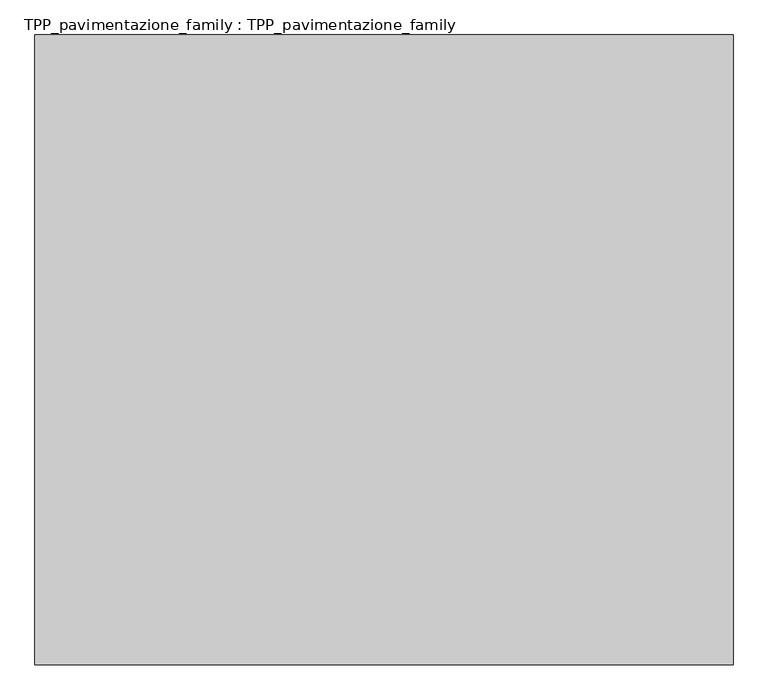
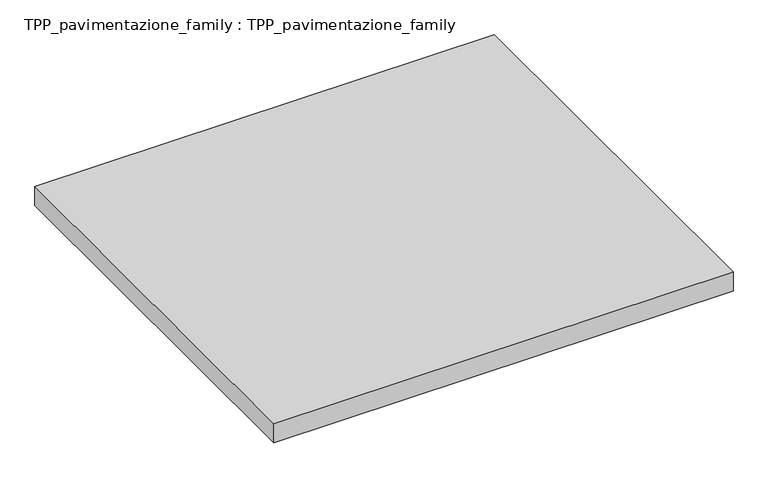
"""IFC4 building model written with IfcOpenShell, lengths in millimetres: proxy geometry, TPP_pavimentazione_family : TPP_pavimentazione_family."""

import ifcopenshell
import ifcopenshell.guid

model = None  # the IFC model being written
_history = None  # IfcOwnerHistory: only IFC2X3 demands one
_inside = {}  # id of a spatial element -> (the spatial element, [elements in it])
_under = {}  # id of a project, library or spatial element -> (it, [spatial elements below it])
_declared = {}  # id of a project -> (the project, [libraries it declares])
_typed = {}  # id of a type object -> (the type object, [elements of that type])
_made_of = {}  # id of a material, layer set ... -> (it, [elements and type objects made of it])


def new_model(schema):
    """Start an empty IFC model of exactly this schema.

    Asked for "IFC4X3", IfcOpenShell would pick the latest addendum, in which some entities
    have other attributes; the version numbers below select the first issue.
    IFC2X3 requires an IfcOwnerHistory on every rooted entity: one is made here for all.
    """
    global model, _history
    if schema == "IFC4X3":
        model = ifcopenshell.file(schema_version=(4, 3, 0, 0))
    else:
        model = ifcopenshell.file(schema=schema)
    _inside.clear()
    _under.clear()
    _declared.clear()
    _typed.clear()
    _made_of.clear()
    _history = None
    if model.schema == "IFC2X3":
        org = make("IfcOrganization", Name="unknown")
        user = make(
            "IfcPersonAndOrganization",
            ThePerson=make("IfcPerson", FamilyName="unknown"),
            TheOrganization=org,
        )
        app = make(
            "IfcApplication",
            ApplicationDeveloper=org,
            Version="unknown",
            ApplicationFullName="unknown",
            ApplicationIdentifier="unknown",
        )
        _history = make(
            "IfcOwnerHistory",
            OwningUser=user,
            OwningApplication=app,
            ChangeAction="ADDED",
            CreationDate=0,
        )
    return model


def make(cls, **values):
    """One entity of the class cls with the attributes given. An attribute that is None is left unset."""
    return model.create_entity(
        cls, **{name: value for name, value in values.items() if value is not None}
    )


def rooted(cls, **values):
    """An entity with a GlobalId (a new one), such as an element, a storey or a relation."""
    return make(cls, GlobalId=ifcopenshell.guid.new(), OwnerHistory=_history, **values)


def si_unit(unit_type, name, prefix=None):
    """IfcSIUnit, for example si_unit("LENGTHUNIT", "METRE", prefix="MILLI")."""
    return make("IfcSIUnit", UnitType=unit_type, Prefix=prefix, Name=name)


def assignment(units):
    """IfcUnitAssignment: the units of a project."""
    return None if units is None else make("IfcUnitAssignment", Units=units)


def point(xyz):
    """IfcCartesianPoint."""
    return None if xyz is None else make("IfcCartesianPoint", Coordinates=xyz)


def direction(xyz):
    """IfcDirection."""
    return None if xyz is None else make("IfcDirection", DirectionRatios=xyz)


def frame(location, z_axis=None, x_axis=None):
    """IfcAxis2Placement3D, a coordinate frame: its origin and axes. An axis left out is left unset."""
    return make(
        "IfcAxis2Placement3D",
        Location=point(location),
        Axis=direction(z_axis),
        RefDirection=direction(x_axis),
    )


def origin():
    """The frame at (0, 0, 0) with its axes left unset."""
    return frame((0.0, 0.0, 0.0))


def origin_with_axes():
    """The frame at (0, 0, 0) with the z axis (0, 0, 1) and the x axis (1, 0, 0) written out."""
    return frame((0.0, 0.0, 0.0), z_axis=(0.0, 0.0, 1.0), x_axis=(1.0, 0.0, 0.0))


def place(relative_to, where):
    """IfcLocalPlacement: puts the frame where relative to a parent placement (None: the world)."""
    return make(
        "IfcLocalPlacement", PlacementRelTo=relative_to, RelativePlacement=where
    )


def context(
    kind, dimensions, precision=None, world=None, true_north=None, identifier=None
):
    """IfcGeometricRepresentationContext, for example the 3D "Model" context."""
    return make(
        "IfcGeometricRepresentationContext",
        ContextIdentifier=identifier,
        ContextType=kind,
        CoordinateSpaceDimension=dimensions,
        Precision=precision,
        WorldCoordinateSystem=world,
        TrueNorth=true_north,
    )


def project(units=None, contexts=None):
    """IfcProject with its units and contexts."""
    return rooted(
        "IfcProject",
        Name="project",
        RepresentationContexts=contexts,
        UnitsInContext=assignment(units),
    )


def spatial(cls, under=None, at=None, **own):
    """A site, building, storey or space (cls), placed at a placement, below another one or the project."""
    s = rooted(cls, ObjectPlacement=at, **own)
    if under is not None:
        _under.setdefault(under.id(), (under, []))[1].append(s)
    return s


def polyline(points):
    """IfcPolyline through the points."""
    return make("IfcPolyline", Points=[point(p) for p in points])


def outline(outer, holes=None, kind="AREA"):
    """IfcArbitraryClosedProfileDef: a profile drawn as a closed curve; with holes, ...WithVoids."""
    if holes is None:
        return make("IfcArbitraryClosedProfileDef", ProfileType=kind, OuterCurve=outer)
    return make(
        "IfcArbitraryProfileDefWithVoids",
        ProfileType=kind,
        OuterCurve=outer,
        InnerCurves=holes,
    )


def extrude(swept, where, along, depth):
    """IfcExtrudedAreaSolid: the profile swept, set in the frame where, extruded along a direction by depth."""
    return make(
        "IfcExtrudedAreaSolid",
        SweptArea=swept,
        Position=where,
        ExtrudedDirection=direction(along),
        Depth=depth,
    )


def shape(context_of_items, identifier, shape_type, items):
    """IfcShapeRepresentation: the items that make up one representation, for example the "Body"."""
    return make(
        "IfcShapeRepresentation",
        ContextOfItems=context_of_items,
        RepresentationIdentifier=identifier,
        RepresentationType=shape_type,
        Items=items,
    )


def source(mapping_origin, context_of_items, identifier, shape_type, items):
    """IfcRepresentationMap: a shape defined once, which mapped items show again and again."""
    return make(
        "IfcRepresentationMap",
        MappingOrigin=mapping_origin,
        MappedRepresentation=shape(context_of_items, identifier, shape_type, items),
    )


def transform(
    local_origin,
    x_axis=None,
    y_axis=None,
    z_axis=None,
    scale=None,
    scale2=None,
    scale3=None,
    uniform=True,
):
    """IfcCartesianTransformationOperator3D, or its non-uniform kind. x_axis, y_axis, z_axis: its Axis1, 2, 3."""
    if uniform:
        return make(
            "IfcCartesianTransformationOperator3D",
            Axis1=direction(x_axis),
            Axis2=direction(y_axis),
            LocalOrigin=point(local_origin),
            Scale=scale,
            Axis3=direction(z_axis),
        )
    return make(
        "IfcCartesianTransformationOperator3DnonUniform",
        Axis1=direction(x_axis),
        Axis2=direction(y_axis),
        LocalOrigin=point(local_origin),
        Scale=scale,
        Axis3=direction(z_axis),
        Scale2=scale2,
        Scale3=scale3,
    )


def mapped(mapping_source, mapping_target):
    """IfcMappedItem: shows the shape of a source again, moved by a transform."""
    return make(
        "IfcMappedItem", MappingSource=mapping_source, MappingTarget=mapping_target
    )


def made_of(thing, what):
    """Note that an element or type object is made of a material, layer set ...; save() writes the relation."""
    if what is not None:
        _made_of.setdefault(what.id(), (what, []))[1].append(thing)
    return thing


def element(
    cls,
    number,
    at=None,
    inside=None,
    cuts=None,
    type_object=None,
    material=None,
    context=None,
    identifier="Body",
    shape_type=None,
    held_by="IfcProductDefinitionShape",
    body=None,
    shapes=None,
    **own,
):
    """One element of the class cls, such as IfcWall. Its Tag is "e" and its number.

    at: its placement. inside: the storey or other place that contains it. cuts: it is an
    opening in that element (IfcRelVoidsElement). A single representation is given by context,
    identifier, shape_type and body (its items); several are given by shapes. held_by: the class
    of the entity that holds the representations. save() writes the other relations.
    """
    e = rooted(cls, Tag="e%d" % number, ObjectPlacement=at, **own)
    if body is not None:
        shapes = [shape(context, identifier, shape_type, body)]
    if shapes is not None:
        e.Representation = make(held_by, Representations=shapes)
    if inside is not None:
        _inside.setdefault(inside.id(), (inside, []))[1].append(e)
    if cuts is not None:
        rooted(
            "IfcRelVoidsElement", RelatingBuildingElement=cuts, RelatedOpeningElement=e
        )
    if type_object is not None:
        _typed.setdefault(type_object.id(), (type_object, []))[1].append(e)
    return made_of(e, material)


def aggregate(whole, parts):
    """IfcRelAggregates: a whole, such as a stair, and the parts it consists of."""
    return rooted("IfcRelAggregates", RelatingObject=whole, RelatedObjects=parts)


def save(model, path):
    """Write the relations noted so far, then the file.

    IfcRelAggregates (storeys below a building ...), IfcRelContainedInSpatialStructure (elements
    in a storey), IfcRelDefinesByType, IfcRelAssociatesMaterial and IfcRelDeclares: one each for
    every whole, place, type object, material and project.
    """
    for whole, parts in _under.values():
        aggregate(whole, parts)
    for where, things in _inside.values():
        rooted(
            "IfcRelContainedInSpatialStructure",
            RelatedElements=things,
            RelatingStructure=where,
        )
    for kind, things in _typed.values():
        rooted("IfcRelDefinesByType", RelatedObjects=things, RelatingType=kind)
    for what, things in _made_of.values():
        rooted("IfcRelAssociatesMaterial", RelatedObjects=things, RelatingMaterial=what)
    for by, libraries in _declared.values():
        rooted("IfcRelDeclares", RelatingContext=by, RelatedDefinitions=libraries)
    model.write(path)


def tpp_pavimentazione_family_tpp_pavimentazione_family_6fca0be3(model_context):
    return source(origin(), model_context, "Body", "SweptSolid", [
        extrude(outline(polyline([(511.8146187, 354.2201026), (511.8146187, -674.8499844), (-629.1720335, -674.8499844), (-629.1720335, 354.2201026), (511.8146187, 354.2201026)])), origin_with_axes(), (0.0, 0.0, 1.0), 50.0),
    ])


if __name__ == "__main__":
    model = new_model("IFC4")
    model_context = context("Model", 3, world=origin())
    ifc_project = project(units=[si_unit("LENGTHUNIT", "METRE", prefix="MILLI")], contexts=[model_context])
    site = spatial("IfcSite", under=ifc_project)
    building = spatial("IfcBuilding", under=site)
    placement = place(None, origin())
    tpp_pavimentazione_family_tpp_pavimentazione_family_shape = tpp_pavimentazione_family_tpp_pavimentazione_family_6fca0be3(model_context)
    element("IfcBuildingElementProxy", 1, Name="TPP_pavimentazione_family : TPP_pavimentazione_family", ObjectType="TPP_pavimentazione_family : TPP_pavimentazione_family", at=placement, inside=building, context=model_context, shape_type="MappedRepresentation", body=[
        mapped(tpp_pavimentazione_family_tpp_pavimentazione_family_shape, transform((0.0, 0.0, 0.0), x_axis=(1.0, 0.0, 0.0), y_axis=(0.0, 1.0, 0.0), z_axis=(0.0, 0.0, 1.0))),
    ])
    save(model, "model.ifc")
